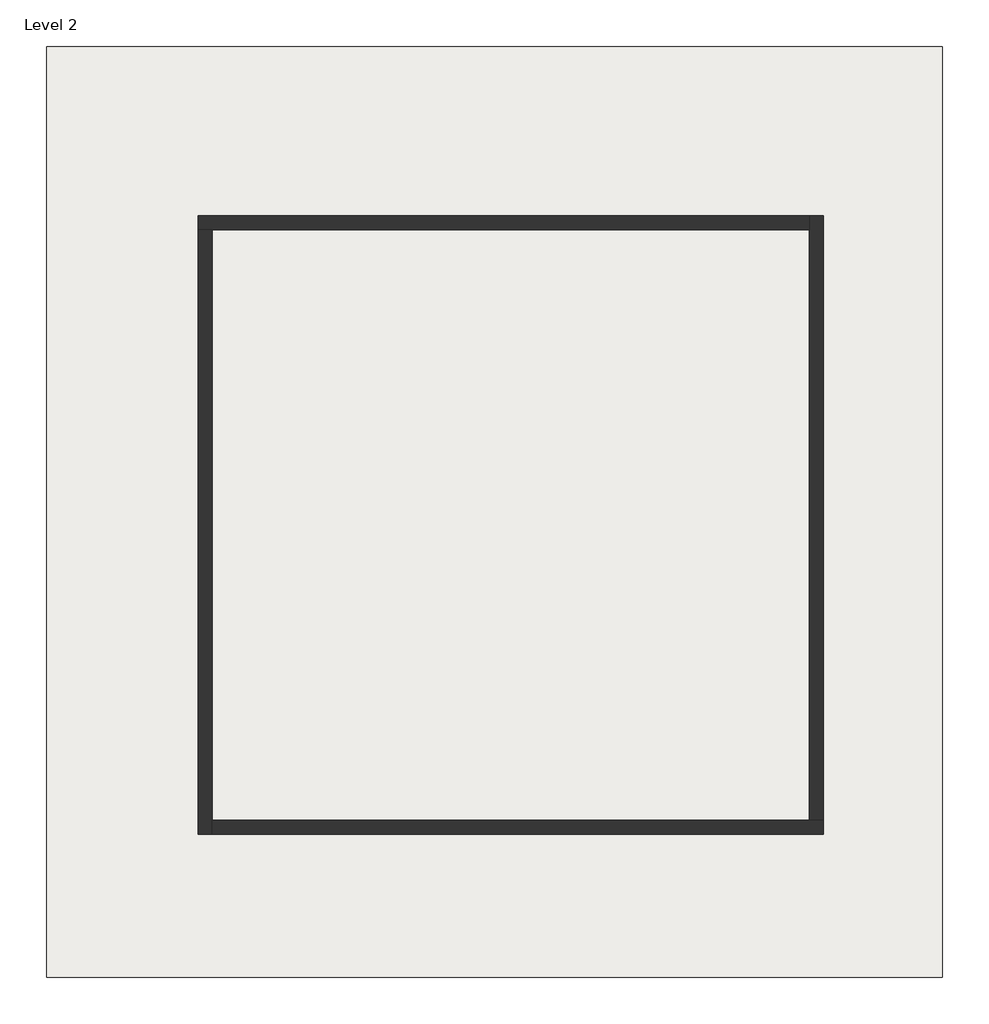
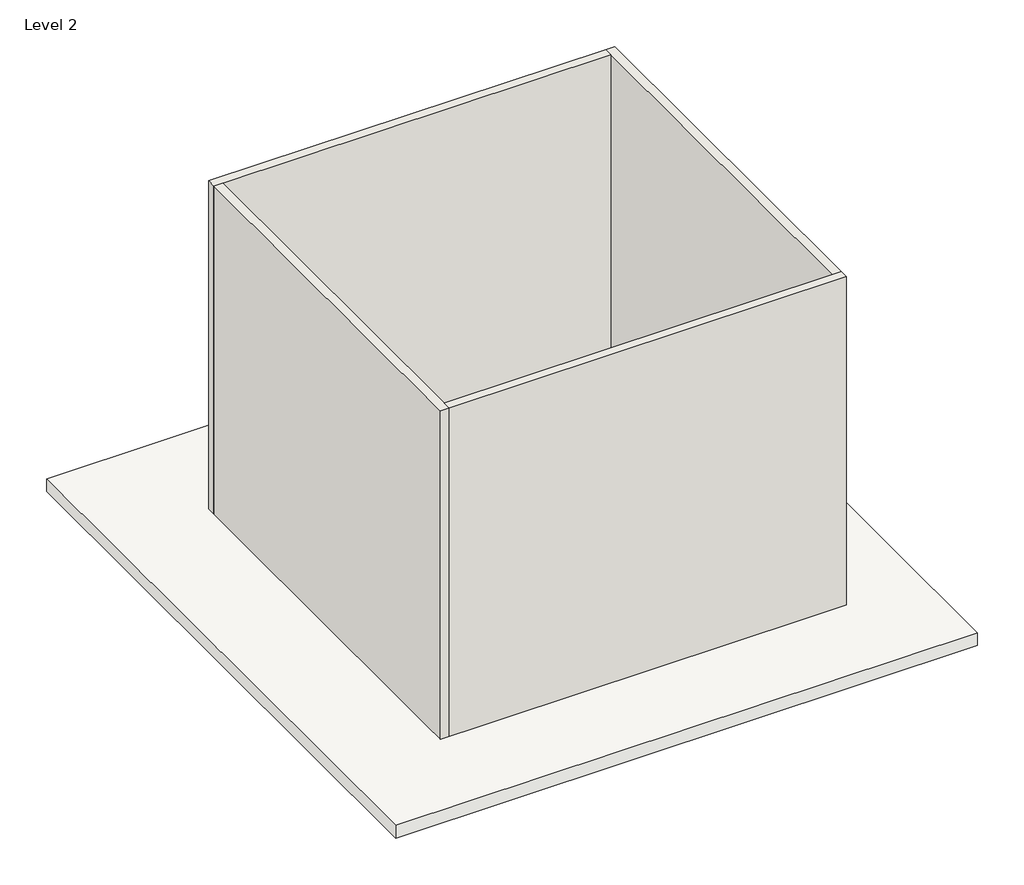
# One storey: 4 walls, 1 roof.
"""IFC4 building model written with IfcOpenShell, lengths in millimetres."""

import ifcopenshell
import ifcopenshell.guid

model = None  # the IFC model being written
_history = None  # IfcOwnerHistory: only IFC2X3 demands one
_inside = {}  # id of a spatial element -> (the spatial element, [elements in it])
_under = {}  # id of a project, library or spatial element -> (it, [spatial elements below it])
_declared = {}  # id of a project -> (the project, [libraries it declares])
_typed = {}  # id of a type object -> (the type object, [elements of that type])
_made_of = {}  # id of a material, layer set ... -> (it, [elements and type objects made of it])


def new_model(schema):
    """Start an empty IFC model of exactly this schema.

    Asked for "IFC4X3", IfcOpenShell would pick the latest addendum, in which some entities
    have other attributes; the version numbers below select the first issue.
    IFC2X3 requires an IfcOwnerHistory on every rooted entity: one is made here for all.
    """
    global model, _history
    if schema == "IFC4X3":
        model = ifcopenshell.file(schema_version=(4, 3, 0, 0))
    else:
        model = ifcopenshell.file(schema=schema)
    _inside.clear()
    _under.clear()
    _declared.clear()
    _typed.clear()
    _made_of.clear()
    _history = None
    if model.schema == "IFC2X3":
        org = make("IfcOrganization", Name="unknown")
        user = make(
            "IfcPersonAndOrganization",
            ThePerson=make("IfcPerson", FamilyName="unknown"),
            TheOrganization=org,
        )
        app = make(
            "IfcApplication",
            ApplicationDeveloper=org,
            Version="unknown",
            ApplicationFullName="unknown",
            ApplicationIdentifier="unknown",
        )
        _history = make(
            "IfcOwnerHistory",
            OwningUser=user,
            OwningApplication=app,
            ChangeAction="ADDED",
            CreationDate=0,
        )
    return model


def make(cls, **values):
    """One entity of the class cls with the attributes given. An attribute that is None is left unset."""
    return model.create_entity(
        cls, **{name: value for name, value in values.items() if value is not None}
    )


def rooted(cls, **values):
    """An entity with a GlobalId (a new one), such as an element, a storey or a relation."""
    return make(cls, GlobalId=ifcopenshell.guid.new(), OwnerHistory=_history, **values)


def si_unit(unit_type, name, prefix=None):
    """IfcSIUnit, for example si_unit("LENGTHUNIT", "METRE", prefix="MILLI")."""
    return make("IfcSIUnit", UnitType=unit_type, Prefix=prefix, Name=name)


def assignment(units):
    """IfcUnitAssignment: the units of a project."""
    return None if units is None else make("IfcUnitAssignment", Units=units)


def point(xyz):
    """IfcCartesianPoint."""
    return None if xyz is None else make("IfcCartesianPoint", Coordinates=xyz)


def direction(xyz):
    """IfcDirection."""
    return None if xyz is None else make("IfcDirection", DirectionRatios=xyz)


def frame(location, z_axis=None, x_axis=None):
    """IfcAxis2Placement3D, a coordinate frame: its origin and axes. An axis left out is left unset."""
    return make(
        "IfcAxis2Placement3D",
        Location=point(location),
        Axis=direction(z_axis),
        RefDirection=direction(x_axis),
    )


def origin():
    """The frame at (0, 0, 0) with its axes left unset."""
    return frame((0.0, 0.0, 0.0))


def place(relative_to, where):
    """IfcLocalPlacement: puts the frame where relative to a parent placement (None: the world)."""
    return make(
        "IfcLocalPlacement", PlacementRelTo=relative_to, RelativePlacement=where
    )


def context(
    kind, dimensions, precision=None, world=None, true_north=None, identifier=None
):
    """IfcGeometricRepresentationContext, for example the 3D "Model" context."""
    return make(
        "IfcGeometricRepresentationContext",
        ContextIdentifier=identifier,
        ContextType=kind,
        CoordinateSpaceDimension=dimensions,
        Precision=precision,
        WorldCoordinateSystem=world,
        TrueNorth=true_north,
    )


def project(units=None, contexts=None):
    """IfcProject with its units and contexts."""
    return rooted(
        "IfcProject",
        Name="project",
        RepresentationContexts=contexts,
        UnitsInContext=assignment(units),
    )


def spatial(cls, under=None, at=None, **own):
    """A site, building, storey or space (cls), placed at a placement, below another one or the project."""
    s = rooted(cls, ObjectPlacement=at, **own)
    if under is not None:
        _under.setdefault(under.id(), (under, []))[1].append(s)
    return s


def polyline(points):
    """IfcPolyline through the points."""
    return make("IfcPolyline", Points=[point(p) for p in points])


def outline(outer, holes=None, kind="AREA"):
    """IfcArbitraryClosedProfileDef: a profile drawn as a closed curve; with holes, ...WithVoids."""
    if holes is None:
        return make("IfcArbitraryClosedProfileDef", ProfileType=kind, OuterCurve=outer)
    return make(
        "IfcArbitraryProfileDefWithVoids",
        ProfileType=kind,
        OuterCurve=outer,
        InnerCurves=holes,
    )


def extrude(swept, where, along, depth):
    """IfcExtrudedAreaSolid: the profile swept, set in the frame where, extruded along a direction by depth."""
    return make(
        "IfcExtrudedAreaSolid",
        SweptArea=swept,
        Position=where,
        ExtrudedDirection=direction(along),
        Depth=depth,
    )


def faces_of(points, faces, orient=None, outer=None):
    """IfcFace entities. A face is a list of loops; a loop is a list of indices into points, from 0.

    orient and outer hold one flag for each loop. By default every Orientation is true, the
    first loop of a face is its IfcFaceOuterBound and the others are IfcFaceBound.
    """
    made = []
    for i, loops in enumerate(faces):
        bounds = []
        for j, loop in enumerate(loops):
            is_outer = j == 0 if outer is None else outer[i][j]
            bounds.append(
                make(
                    "IfcFaceOuterBound" if is_outer else "IfcFaceBound",
                    Bound=make("IfcPolyLoop", Polygon=[points[k] for k in loop]),
                    Orientation=True if orient is None else orient[i][j],
                )
            )
        made.append(make("IfcFace", Bounds=bounds))
    return made


def faceted_brep(points, faces, orient=None, outer=None, voids=None):
    """IfcFacetedBrep: a solid bounded by flat faces; with voids (closed shells), ...WithVoids."""
    shared = [point(p) for p in points]
    hull = make("IfcClosedShell", CfsFaces=faces_of(shared, faces, orient, outer))
    if voids is None:
        return make("IfcFacetedBrep", Outer=hull)
    return make(
        "IfcFacetedBrepWithVoids",
        Outer=hull,
        Voids=[
            make(cls, CfsFaces=faces_of(shared, fs, o, b)) for cls, fs, o, b in voids
        ],
    )


def shape(context_of_items, identifier, shape_type, items):
    """IfcShapeRepresentation: the items that make up one representation, for example the "Body"."""
    return make(
        "IfcShapeRepresentation",
        ContextOfItems=context_of_items,
        RepresentationIdentifier=identifier,
        RepresentationType=shape_type,
        Items=items,
    )


def made_of(thing, what):
    """Note that an element or type object is made of a material, layer set ...; save() writes the relation."""
    if what is not None:
        _made_of.setdefault(what.id(), (what, []))[1].append(thing)
    return thing


def element(
    cls,
    number,
    at=None,
    inside=None,
    cuts=None,
    type_object=None,
    material=None,
    context=None,
    identifier="Body",
    shape_type=None,
    held_by="IfcProductDefinitionShape",
    body=None,
    shapes=None,
    **own,
):
    """One element of the class cls, such as IfcWall. Its Tag is "e" and its number.

    at: its placement. inside: the storey or other place that contains it. cuts: it is an
    opening in that element (IfcRelVoidsElement). A single representation is given by context,
    identifier, shape_type and body (its items); several are given by shapes. held_by: the class
    of the entity that holds the representations. save() writes the other relations.
    """
    e = rooted(cls, Tag="e%d" % number, ObjectPlacement=at, **own)
    if body is not None:
        shapes = [shape(context, identifier, shape_type, body)]
    if shapes is not None:
        e.Representation = make(held_by, Representations=shapes)
    if inside is not None:
        _inside.setdefault(inside.id(), (inside, []))[1].append(e)
    if cuts is not None:
        rooted(
            "IfcRelVoidsElement", RelatingBuildingElement=cuts, RelatedOpeningElement=e
        )
    if type_object is not None:
        _typed.setdefault(type_object.id(), (type_object, []))[1].append(e)
    return made_of(e, material)


def aggregate(whole, parts):
    """IfcRelAggregates: a whole, such as a stair, and the parts it consists of."""
    return rooted("IfcRelAggregates", RelatingObject=whole, RelatedObjects=parts)


def save(model, path):
    """Write the relations noted so far, then the file.

    IfcRelAggregates (storeys below a building ...), IfcRelContainedInSpatialStructure (elements
    in a storey), IfcRelDefinesByType, IfcRelAssociatesMaterial and IfcRelDeclares: one each for
    every whole, place, type object, material and project.
    """
    for whole, parts in _under.values():
        aggregate(whole, parts)
    for where, things in _inside.values():
        rooted(
            "IfcRelContainedInSpatialStructure",
            RelatedElements=things,
            RelatingStructure=where,
        )
    for kind, things in _typed.values():
        rooted("IfcRelDefinesByType", RelatedObjects=things, RelatingType=kind)
    for what, things in _made_of.values():
        rooted("IfcRelAssociatesMaterial", RelatedObjects=things, RelatingMaterial=what)
    for by, libraries in _declared.values():
        rooted("IfcRelDeclares", RelatingContext=by, RelatedDefinitions=libraries)
    model.write(path)


model = new_model("IFC4")

# Units and contexts
model_context = context("Model", 3, world=origin())
ifc_project = project(units=[si_unit("LENGTHUNIT", "METRE", prefix="MILLI")], contexts=[model_context])

# Site, building, storey
site = spatial("IfcSite", under=ifc_project)
building = spatial("IfcBuilding", under=site)
storey = spatial("IfcBuildingStorey", under=building, Name="Level 2", Elevation=4000.0)

# Roof
placement = place(None, origin())
element("IfcRoof", 1, ObjectType="Generic Roof - 300mm", at=placement, inside=storey, context=model_context, shape_type="SweptSolid", body=[
    extrude(outline(polyline([(-1063.826019, 7425.0027473), (11836.173981, 7425.0027473), (11836.173981, -5974.9972527), (-1063.826019, -5974.9972527), (-1063.826019, 7425.0027473)])), frame((0.0, 0.0, 4000.0), z_axis=(0.0, 0.0, 1.0), x_axis=(1.0, 0.0, 0.0)), (0.0, 0.0, 1.0), 300.0),
])

# Walls
element("IfcWall", 2, ObjectType="Generic - 200mm", at=placement, inside=storey, context=model_context, shape_type="Brep", body=[
    faceted_brep([(1121.8610134, 4789.2634542, 4000.0), (1321.8610134, 4789.2634542, 4000.0), (9921.8610134, 4789.2634542, 4000.0), (9921.8610134, 4789.2634542, 12000.0), (1321.8610134, 4789.2634542, 12000.0), (1121.8610134, 4789.2634542, 12000.0), (1121.8610134, 4989.2634542, 4000.0), (1121.8610134, 4989.2634542, 12000.0), (9921.8610134, 4989.2634542, 12000.0), (9921.8610134, 4989.2634542, 4000.0)], [[[0, 1, 2, 3, 4, 5]], [[6, 7, 8, 9]], [[2, 1, 0, 6, 9]], [[5, 4, 3, 8, 7]], [[0, 5, 7, 6]], [[3, 2, 9, 8]]]),
])
element("IfcWall", 3, ObjectType="Generic - 200mm", at=placement, inside=storey, context=model_context, shape_type="Brep", body=[
    faceted_brep([(1321.8610134, -3910.7365458, 4000.0), (1321.8610134, -3710.7365458, 4000.0), (1321.8610134, 4789.2634542, 4000.0), (1321.8610134, 4789.2634542, 12000.0), (1321.8610134, -3710.7365458, 12000.0), (1321.8610134, -3910.7365458, 12000.0), (1121.8610134, -3910.7365458, 4000.0), (1121.8610134, -3910.7365458, 12000.0), (1121.8610134, 4789.2634542, 12000.0), (1121.8610134, 4789.2634542, 4000.0)], [[[0, 1, 2, 3, 4, 5]], [[6, 7, 8, 9]], [[2, 1, 0, 6, 9]], [[5, 4, 3, 8, 7]], [[0, 5, 7, 6]], [[3, 2, 9, 8]]]),
])
element("IfcWall", 4, ObjectType="Generic - 200mm", at=placement, inside=storey, context=model_context, shape_type="Brep", body=[
    faceted_brep([(10121.8610134, -3710.7365458, 4000.0), (9921.8610134, -3710.7365458, 4000.0), (1321.8610134, -3710.7365458, 4000.0), (1321.8610134, -3710.7365458, 12000.0), (9921.8610134, -3710.7365458, 12000.0), (10121.8610134, -3710.7365458, 12000.0), (10121.8610134, -3910.7365458, 4000.0), (10121.8610134, -3910.7365458, 12000.0), (1321.8610134, -3910.7365458, 12000.0), (1321.8610134, -3910.7365458, 4000.0)], [[[0, 1, 2, 3, 4, 5]], [[6, 7, 8, 9]], [[2, 1, 0, 6, 9]], [[5, 4, 3, 8, 7]], [[0, 5, 7, 6]], [[3, 2, 9, 8]]]),
])
element("IfcWall", 5, ObjectType="Generic - 200mm", at=placement, inside=storey, context=model_context, shape_type="Brep", body=[
    faceted_brep([(9921.8610134, 4989.2634542, 4000.0), (9921.8610134, 4789.2634542, 4000.0), (9921.8610134, -3710.7365458, 4000.0), (9921.8610134, -3710.7365458, 12000.0), (9921.8610134, 4789.2634542, 12000.0), (9921.8610134, 4989.2634542, 12000.0), (10121.8610134, 4989.2634542, 4000.0), (10121.8610134, 4989.2634542, 12000.0), (10121.8610134, -3710.7365458, 12000.0), (10121.8610134, -3710.7365458, 4000.0)], [[[0, 1, 2, 3, 4, 5]], [[6, 7, 8, 9]], [[2, 1, 0, 6, 9]], [[5, 4, 3, 8, 7]], [[0, 5, 7, 6]], [[3, 2, 9, 8]]]),
])

save(model, "model.ifc")
